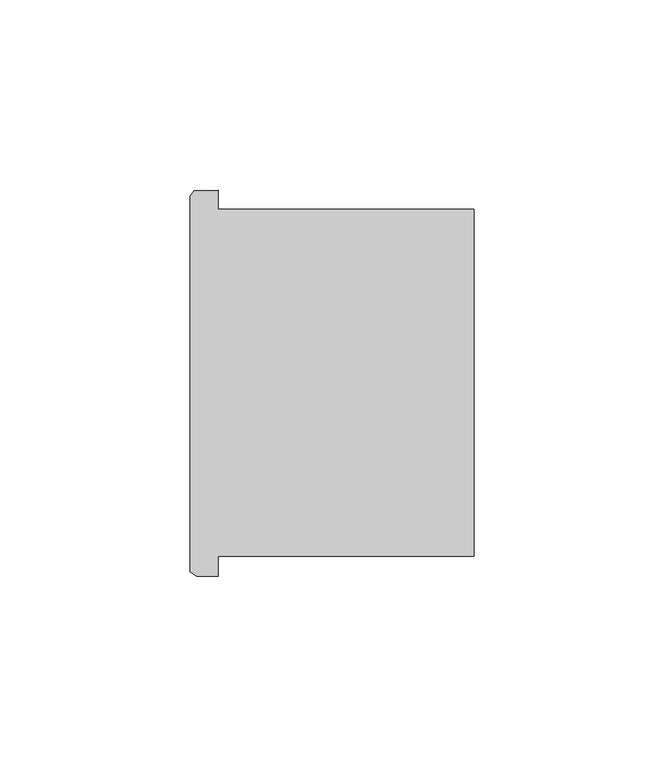
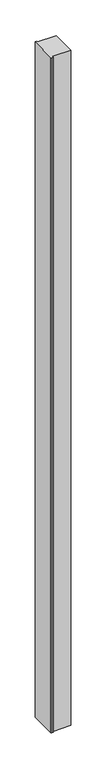
"""IFC4 building model written with IfcOpenShell, lengths in millimetres: column geometry."""

from ifc_helpers import new_model, si_unit, frame, origin, place, context, project, spatial, polyline, outline, extrude, source, transform, mapped, element, save


def column_a5edd1b0(model_context):
    return source(origin(), model_context, "Body", "SweptSolid", [
        extrude(outline(polyline([(78009.3469274, -56586.2452728), (78009.3469274, -56591.3364234), (78076.642043, -56591.3364234), (78076.642043, -56682.5432514), (78009.3469274, -56682.5432514), (78009.3469274, -56687.8452728), (78003.654254, -56687.8452728), (78001.886922, -56686.6050416), (78001.886922, -56587.8885766), (78002.9721116, -56586.400289), (78009.3469274, -56586.2452728)])), frame((0.0, 0.0, 4419.602286), z_axis=(0.0, 0.0, 1.0), x_axis=(1.0, 0.0, 0.0)), (0.0, 0.0, 1.0), 2590.8000816),
        extrude(outline(polyline([(78009.3469274, -56586.2452728), (78009.3469274, -56591.3364234), (78076.642043, -56591.3364234), (78076.642043, -56682.5432514), (78009.3469274, -56682.5432514), (78009.3469274, -56687.8452728), (78003.654254, -56687.8452728), (78001.886922, -56686.6050416), (78001.886922, -56587.8885766), (78002.9721116, -56586.400289), (78009.3469274, -56586.2452728)])), frame((0.0, 0.0, 4419.602286), z_axis=(0.0, 0.0, 1.0), x_axis=(1.0, 0.0, 0.0)), (0.0, 0.0, 1.0), 2590.8000816),
    ])


if __name__ == "__main__":
    model = new_model("IFC4")
    model_context = context("Model", 3, world=origin())
    ifc_project = project(units=[si_unit("LENGTHUNIT", "METRE", prefix="MILLI")], contexts=[model_context])
    site = spatial("IfcSite", under=ifc_project)
    building = spatial("IfcBuilding", under=site)
    placement = place(None, origin())
    column_shape = column_a5edd1b0(model_context)
    element("IfcColumn", 1, at=placement, inside=building, context=model_context, shape_type="MappedRepresentation", body=[
        mapped(column_shape, transform((0.0, 0.0, 0.0), x_axis=(1.0, 0.0, 0.0), y_axis=(0.0, 1.0, 0.0), z_axis=(0.0, 0.0, 1.0))),
    ])
    save(model, "model.ifc")
